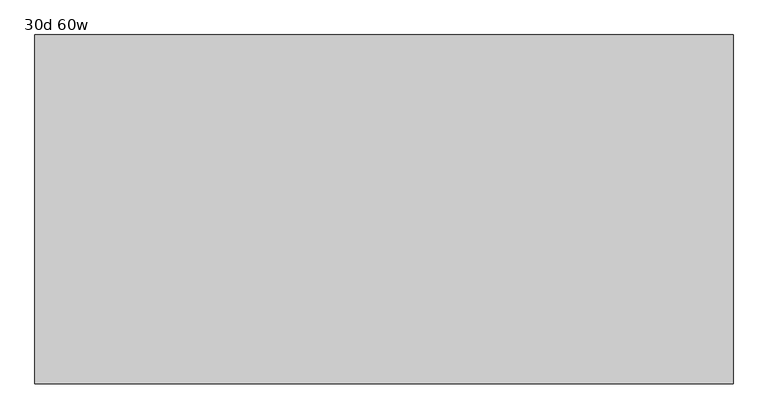
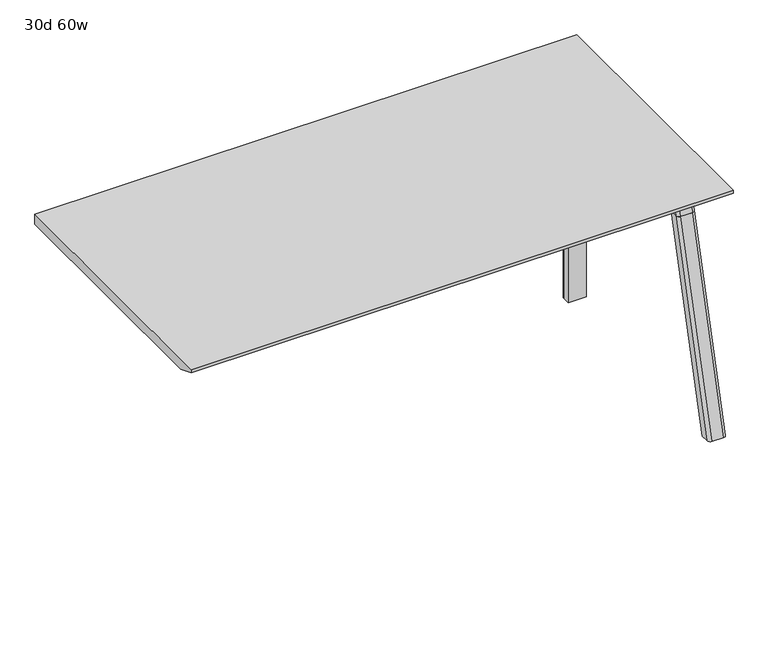
"""IFC4 building model written with IfcOpenShell, lengths in millimetres: furniture geometry, 30d 60w."""

from ifc_helpers import new_model, si_unit, point, frame, frame_2d, origin, place, context, project, spatial, polyline, circle_curve, ellipse_curve, trimmed, segment, composite_curve, outline, extrude, source, transform, mapped, element, save
from ifc_brep_helpers import plane_surface, cylinder_surface, revolved_surface, advanced_brep


def furniture_30d_60w_4fef8673(model_context):
    return source(origin(), model_context, "Body", "SolidModel", [
        extrude(outline(composite_curve([segment(polyline([(-258.4909766, 711.2), (-267.5490774, 677.3947076)]), True, "CONTINUOUS"), segment(trimmed(circle_curve(frame_2d((-282.8831499, 681.5034599)), 15.875), [point((-267.5490774, 677.3947076))], [point((-282.8831499, 665.6284599))], False, "CARTESIAN"), True, "CONTINUOUS"), segment(polyline([(-282.8831499, 665.6284599), (-705.5863033, 665.6284599)]), True, "CONTINUOUS"), segment(trimmed(circle_curve(frame_2d((-705.5863033, 681.5034599)), 15.875), [point((-705.5863033, 665.6284599))], [point((-720.9203758, 677.3947076))], False, "CARTESIAN"), True, "CONTINUOUS"), segment(polyline([(-720.9203758, 677.3947076), (-729.9784766, 711.2), (-258.4909766, 711.2)]), True, "CONTINUOUS")], self_intersect=False)), frame((927.1, 0.0, 0.0), z_axis=(1.0, 0.0, 0.0), x_axis=(0.0, 1.0, 0.0)), (0.0, 0.0, 1.0), 38.1),
        extrude(outline(polyline([(971.55, -318.8159766), (971.55, -669.6534766), (920.75, -669.6534766), (920.75, -318.8159766), (971.55, -318.8159766)])), frame((0.0, 0.0, 635.6476591), z_axis=(0.0, 0.0, 1.0), x_axis=(1.0, 0.0, 0.0)), (0.0, 0.0, 1.0), 29.9808008),
        advanced_brep(
        [(971.55, -258.4446478, 711.2), (971.55, -267.5027486, 677.3947076), (971.55, -282.8368211, 665.6284599), (971.55, -318.8159766, 665.6284599), (971.55, -318.8159766, 635.6476591), (971.55, -307.7034766, 635.6476591), (971.55, -256.9034766, 584.8476591), (971.55, -256.9034766, 576.659375), (971.55, -234.6784766, 576.659375), (971.55, -234.6784766, 711.2), (920.75, -256.9034766, 576.659375), (920.75, -256.9034766, 584.8476591), (920.75, -307.7034766, 635.6476591), (920.75, -318.8159766, 635.6476591), (920.75, -318.8159766, 665.6284599), (920.75, -282.8368211, 665.6284599), (920.75, -267.5027486, 677.3947076), (920.75, -258.4446478, 711.2), (920.75, -234.6784766, 711.2), (920.75, -234.6784766, 576.659375), (962.025, -225.1534766, 711.2), (930.275, -225.1534766, 711.2), (930.275, -225.1534766, 576.659375), (962.025, -225.1534766, 576.659375)],
        [
            (0, 1),
            (1, 2, circle_curve(frame((971.55, -282.8368211, 681.5034599), z_axis=(-1.0, 0.0, 0.0), x_axis=(0.0, 1.0, 0.0)), 15.875)),
            (2, 3),
            (3, 4),
            (4, 5),
            (5, 6, circle_curve(frame((971.55, -307.7034766, 584.8476591), z_axis=(-1.0, 0.0, 0.0), x_axis=(0.0, 1.0, 0.0)), 50.8)),
            (6, 7),
            (7, 8),
            (8, 9),
            (9, 0),
            (10, 11),
            (11, 12, circle_curve(frame((920.75, -307.7034766, 584.8476591), z_axis=(1.0, 0.0, 0.0), x_axis=(0.0, 1.0, 0.0)), 50.8)),
            (12, 13),
            (13, 14),
            (14, 15),
            (15, 16, circle_curve(frame((920.75, -282.8368211, 681.5034599), z_axis=(1.0, 0.0, 0.0), x_axis=(0.0, 1.0, 0.0)), 15.875)),
            (16, 17),
            (17, 18),
            (18, 19),
            (19, 10),
            (17, 0),
            (9, 20, circle_curve(frame((962.025, -234.6784766, 711.2), z_axis=(0.0, 0.0, 1.0), x_axis=(-1.0, 0.0, 0.0)), 9.525)),
            (20, 21),
            (21, 18, circle_curve(frame((930.275, -234.6784766, 711.2), z_axis=(0.0, 0.0, 1.0), x_axis=(-1.0, 0.0, 0.0)), 9.525)),
            (16, 1),
            (15, 2),
            (14, 3),
            (13, 4),
            (12, 5),
            (7, 10),
            (19, 22, circle_curve(frame((930.275, -234.6784766, 576.659375), z_axis=(0.0, 0.0, -1.0), x_axis=(-1.0, 0.0, 0.0)), 9.525)),
            (22, 23),
            (23, 8, circle_curve(frame((962.025, -234.6784766, 576.659375), z_axis=(0.0, 0.0, -1.0), x_axis=(-1.0, 0.0, 0.0)), 9.525)),
            (11, 6),
            (23, 20),
            (21, 22),
        ],
        [
            plane_surface(frame((971.55, -218.226947, 711.2), z_axis=(1.0, 0.0, 0.0), x_axis=(0.0, -1.0, 0.0))),
            plane_surface(frame((920.75, -218.226947, 711.2), z_axis=(-1.0, 0.0, 0.0), x_axis=(0.0, 1.0, 0.0))),
            plane_surface(frame((971.55, -218.226947, 711.2), z_axis=(0.0, 0.0, 1.0), x_axis=(-1.0, 0.0, 0.0))),
            plane_surface(frame((971.55, -258.4446478, 711.2), z_axis=(0.0, -0.9659258262890683, 0.2588190451025207), x_axis=(-1.0, 0.0, 0.0))),
            revolved_surface(polyline([(920.75, -266.9618211, 681.5034599), (971.55, -266.9618211, 681.5034599)]), (920.75, -282.8368211, 681.5034599), (-1.0, 0.0, 0.0)),
            plane_surface(frame((971.55, -282.8368211, 665.6284599), z_axis=(0.0, 0.0, 1.0), x_axis=(-1.0, 0.0, 0.0))),
            plane_surface(frame((971.55, -318.8159766, 665.6284599), z_axis=(0.0, -1.0, 0.0), x_axis=(-1.0, 0.0, 0.0))),
            plane_surface(frame((971.55, -318.8159766, 635.6476591), z_axis=(0.0, 0.0, -1.0), x_axis=(-1.0, 0.0, 0.0))),
            plane_surface(frame((971.55, -256.9034766, 576.659375), z_axis=(0.0, 0.0, -1.0), x_axis=(-1.0, 0.0, 0.0))),
            revolved_surface(polyline([(920.75, -256.9034766, 584.8476591), (971.55, -256.9034766, 584.8476591)]), (920.75, -307.7034766, 584.8476591), (-1.0, 0.0, 0.0)),
            plane_surface(frame((971.55, -256.9034766, 584.8476591), z_axis=(0.0, -1.0, 0.0), x_axis=(-1.0, 0.0, 0.0))),
            cylinder_surface(frame((962.025, -234.6784766, 524.9807374), z_axis=(0.0, 0.0, -1.0), x_axis=(-1.0, 0.0, 0.0)), 9.525),
            cylinder_surface(frame((930.275, -234.6784766, 524.9807374), z_axis=(0.0, 0.0, -1.0), x_axis=(-1.0, 0.0, 0.0)), 9.525),
            plane_surface(frame((930.275, -225.1534766, 711.2), z_axis=(0.0, 1.0, 0.0), x_axis=(0.0, 0.0, -1.0))),
        ],
        [
            (0, [[1, 2, 3, 4, 5, 6, 7, 8, 9, 10]]),
            (1, [[11, 12, 13, 14, 15, 16, 17, 18, 19, 20]]),
            (2, [[21, -10, 22, 23, 24, -18]]),
            (3, [[-1, -21, -17, 25]]),
            (4, [[-2, -25, -16, 26]]),
            (5, [[-3, -26, -15, 27]]),
            (6, [[-4, -27, -14, 28]]),
            (7, [[-5, -28, -13, 29]]),
            (8, [[30, -20, 31, 32, 33, -8]]),
            (9, [[-6, -29, -12, 34]]),
            (10, [[-7, -34, -11, -30]]),
            (11, [[35, -22, -9, -33]]),
            (12, [[36, -31, -19, -24]]),
            (13, [[-35, -32, -36, -23]]),
        ],
    ),
        advanced_brep(
        [(920.75, -256.9034766, 576.659375), (971.55, -256.9034766, 576.659375), (971.55, -234.6784766, 576.659375), (962.025, -225.1534766, 576.659375), (930.275, -225.1534766, 576.659375), (920.75, -234.6784766, 576.659375), (920.75, -256.9034766, 0.0), (920.75, -234.6784766, 0.0), (930.275, -225.1534766, 0.0), (962.025, -225.1534766, 0.0), (971.55, -234.6784766, 0.0), (971.55, -256.9034766, 0.0), (971.55, -234.6784766, 524.9807374), (962.025, -225.1534766, 524.9807374), (930.275, -225.1534766, 524.9807374), (920.75, -234.6784766, 524.9807374)],
        [
            (0, 1),
            (1, 2),
            (2, 3, circle_curve(frame((962.025, -234.6784766, 576.659375), z_axis=(0.0, 0.0, 1.0), x_axis=(-1.0, 0.0, 0.0)), 9.525)),
            (3, 4),
            (4, 5, circle_curve(frame((930.275, -234.6784766, 576.659375), z_axis=(0.0, 0.0, 1.0), x_axis=(-1.0, 0.0, 0.0)), 9.525)),
            (5, 0),
            (6, 7),
            (7, 8, circle_curve(frame((930.275, -234.6784766, 0.0), z_axis=(0.0, 0.0, -1.0), x_axis=(-1.0, 0.0, 0.0)), 9.525)),
            (8, 9),
            (9, 10, circle_curve(frame((962.025, -234.6784766, 0.0), z_axis=(0.0, 0.0, -1.0), x_axis=(-1.0, 0.0, 0.0)), 9.525)),
            (10, 11),
            (11, 6),
            (0, 6),
            (11, 1),
            (10, 12),
            (12, 2),
            (9, 13),
            (13, 3),
            (8, 14),
            (14, 4),
            (7, 15),
            (15, 5),
        ],
        [
            plane_surface(frame((978.7462903, -256.9034766, 576.659375), z_axis=(0.0, 0.0, 1.0), x_axis=(1.0, 0.0, 0.0))),
            plane_surface(frame((978.7462903, -256.9034766, 0.0), z_axis=(0.0, 0.0, -1.0), x_axis=(-1.0, 0.0, 0.0))),
            plane_surface(frame((920.75, -256.9034766, 576.659375), z_axis=(0.0, -1.0, 0.0), x_axis=(0.0, 0.0, -1.0))),
            plane_surface(frame((971.55, -256.9034766, 576.659375), z_axis=(1.0, 0.0, 0.0), x_axis=(0.0, 0.0, -1.0))),
            cylinder_surface(frame((962.025, -234.6784766, 0.0), z_axis=(0.0, 0.0, 1.0), x_axis=(-1.0, 0.0, 0.0)), 9.525),
            plane_surface(frame((962.025, -225.1534766, 576.659375), z_axis=(0.0, 1.0, 0.0), x_axis=(0.0, 0.0, -1.0))),
            cylinder_surface(frame((930.275, -234.6784766, 0.0), z_axis=(0.0, 0.0, 1.0), x_axis=(-1.0, 0.0, 0.0)), 9.525),
            plane_surface(frame((920.75, -234.6784766, 576.659375), z_axis=(-1.0, 0.0, 0.0), x_axis=(0.0, 0.0, -1.0))),
        ],
        [
            (0, [[1, 2, 3, 4, 5, 6]]),
            (1, [[7, 8, 9, 10, 11, 12]]),
            (2, [[-1, 13, -12, 14]]),
            (3, [[-2, -14, -11, 15, 16]]),
            (4, [[-3, -16, -15, -10, 17, 18]]),
            (5, [[-4, -18, -17, -9, 19, 20]]),
            (6, [[-5, -20, -19, -8, 21, 22]]),
            (7, [[-6, -22, -21, -7, -13]]),
        ],
    ),
        advanced_brep(
        [(920.75, -723.6748053, 711.2), (920.75, -714.6167045, 677.3947076), (920.75, -699.282632, 665.6284599), (920.75, -669.6534766, 665.6284599), (920.75, -669.6534766, 635.6476591), (920.75, -692.5247088, 635.6476591), (920.75, -756.9278133, 586.2294189), (920.75, -759.4860254, 576.6820411), (920.75, -780.5899953, 576.6820411), (920.75, -745.1413517, 711.2), (971.55, -759.4860254, 576.6820411), (971.55, -756.9278133, 586.2294189), (971.55, -692.5247088, 635.6476591), (971.55, -669.6534766, 635.6476591), (971.55, -669.6534766, 665.6284599), (971.55, -699.282632, 665.6284599), (971.55, -714.6167045, 677.3947076), (971.55, -723.6748053, 711.2), (971.55, -745.1413517, 711.2), (971.55, -780.5899953, 576.6820411), (927.0138162, -754.3961962, 711.2), (965.2861838, -754.3961962, 711.2), (962.025, -790.4401747, 576.6820411), (930.275, -790.4401747, 576.6820411)],
        [
            (0, 1),
            (1, 2, circle_curve(frame((920.75, -699.282632, 681.5034599), z_axis=(1.0, 0.0, 0.0), x_axis=(0.0, -1.0, 0.0)), 15.875)),
            (2, 3),
            (3, 4),
            (4, 5),
            (5, 6, circle_curve(frame((920.75, -692.5247088, 568.9726591), z_axis=(1.0, 0.0, 0.0), x_axis=(0.0, -1.0, 0.0)), 66.675)),
            (6, 7),
            (7, 8),
            (8, 9),
            (9, 0),
            (10, 11),
            (11, 12, circle_curve(frame((971.55, -692.5247088, 568.9726591), z_axis=(-1.0, 0.0, 0.0), x_axis=(0.0, -1.0, 0.0)), 66.675)),
            (12, 13),
            (13, 14),
            (14, 15),
            (15, 16, circle_curve(frame((971.55, -699.282632, 681.5034599), z_axis=(-1.0, 0.0, 0.0), x_axis=(0.0, -1.0, 0.0)), 15.875)),
            (16, 17),
            (17, 18),
            (18, 19),
            (19, 10),
            (17, 0),
            (9, 20, ellipse_curve(frame((930.275, -745.1413517, 711.2), z_axis=(0.0, 0.0, 1.0), x_axis=(0.0, -1.0, 0.0)), 9.8501793, 9.525)),
            (20, 21),
            (21, 18, ellipse_curve(frame((962.025, -745.1413517, 711.2), z_axis=(0.0, 0.0, 1.0), x_axis=(0.0, -1.0, 0.0)), 9.8501793, 9.525)),
            (16, 1),
            (15, 2),
            (14, 3),
            (13, 4),
            (12, 5),
            (11, 6),
            (10, 7),
            (19, 22, ellipse_curve(frame((962.025, -780.5899953, 576.6820411), z_axis=(0.0, 0.0, -1.0), x_axis=(0.0, -1.0, 0.0)), 9.8501793, 9.525)),
            (22, 23),
            (23, 8, ellipse_curve(frame((930.275, -780.5899953, 576.6820411), z_axis=(0.0, 0.0, -1.0), x_axis=(0.0, -1.0, 0.0)), 9.8501793, 9.525)),
            (20, 23, ellipse_curve(frame((930.275, -194.0704606, 2802.3641142), z_axis=(0.0, -0.9659258262890684, 0.2588190451025206), x_axis=(0.0, -0.2588190451025206, -0.9659258262890684)), 2304.1956354, 9.525)),
            (22, 21, ellipse_curve(frame((962.025, -194.0704606, 2802.3641142), z_axis=(0.0, -0.9659258262890684, 0.2588190451025206), x_axis=(0.0, -0.2588190451025206, -0.9659258262890684)), 2304.1956354, 9.525)),
        ],
        [
            plane_surface(frame((920.75, -754.3961962, 711.2), z_axis=(-1.0, 0.0, 0.0), x_axis=(0.0, 1.0, 0.0))),
            plane_surface(frame((971.55, -754.3961962, 711.2), z_axis=(1.0, 0.0, 0.0), x_axis=(0.0, -1.0, 0.0))),
            plane_surface(frame((920.75, -754.3961962, 711.2), z_axis=(0.0, 0.0, 1.0), x_axis=(1.0, 0.0, 0.0))),
            plane_surface(frame((920.75, -723.6748053, 711.2), z_axis=(0.0, 0.9659258262890683, 0.2588190451025207), x_axis=(1.0, 0.0, 0.0))),
            revolved_surface(polyline([(971.55, -715.157632, 681.5034599), (920.75, -715.157632, 681.5034599)]), (971.55, -699.282632, 681.5034599), (1.0, 0.0, 0.0)),
            plane_surface(frame((920.75, -699.282632, 665.6284599), z_axis=(0.0, 0.0, 1.0), x_axis=(1.0, 0.0, 0.0))),
            plane_surface(frame((920.75, -669.6534766, 665.6284599), z_axis=(0.0, 1.0, 0.0), x_axis=(1.0, 0.0, 0.0))),
            plane_surface(frame((920.75, -669.6534766, 635.6476591), z_axis=(0.0, 0.0, -1.0), x_axis=(1.0, 0.0, 0.0))),
            revolved_surface(polyline([(971.55, -759.1997087999999, 568.9726591), (920.75, -759.1997087999999, 568.9726591)]), (971.55, -692.5247088, 568.9726591), (1.0, 0.0, 0.0)),
            plane_surface(frame((920.75, -756.9278133, 586.2294189), z_axis=(0.0, 0.9659258262890693, -0.25881904510251696), x_axis=(1.0, 0.0, 0.0))),
            plane_surface(frame((920.75, -759.4860254, 576.6820411), z_axis=(0.0, 0.0, -1.0), x_axis=(1.0, 0.0, 0.0))),
            plane_surface(frame((920.75, -790.4401747, 576.6820411), z_axis=(0.0, -0.9659258262890684, 0.2588190451025206), x_axis=(1.0, 0.0, 0.0))),
            cylinder_surface(frame((930.275, -933.1988902, -2.4271979), z_axis=(0.0, -0.25482392474081483, -0.966987470125486), x_axis=(1.0, 0.0, 0.0)), 9.525),
            cylinder_surface(frame((962.025, -933.1988902, -2.4271979), z_axis=(0.0, -0.25482392474081483, -0.966987470125486), x_axis=(1.0, 0.0, 0.0)), 9.525),
        ],
        [
            (0, [[1, 2, 3, 4, 5, 6, 7, 8, 9, 10]]),
            (1, [[11, 12, 13, 14, 15, 16, 17, 18, 19, 20]]),
            (2, [[21, -10, 22, 23, 24, -18]]),
            (3, [[-1, -21, -17, 25]]),
            (4, [[-2, -25, -16, 26]]),
            (5, [[-3, -26, -15, 27]]),
            (6, [[-4, -27, -14, 28]]),
            (7, [[-5, -28, -13, 29]]),
            (8, [[-6, -29, -12, 30]]),
            (9, [[-7, -30, -11, 31]]),
            (10, [[-31, -20, 32, 33, 34, -8]]),
            (11, [[-23, 35, -33, 36]]),
            (12, [[-9, -34, -35, -22]]),
            (13, [[-19, -24, -36, -32]]),
        ],
    ),
        advanced_brep(
        [(920.75, -759.4860254, 576.6820411), (920.75, -911.4552966, 0.0), (920.75, -932.5592665, 0.0), (920.75, -780.5899953, 576.6820411), (971.55, -911.4552966, 0.0), (971.55, -759.4860254, 576.6820411), (971.55, -780.5899953, 576.6820411), (971.55, -932.5592665, 0.0), (930.275, -790.4401747, 576.6820411), (962.025, -790.4401747, 576.6820411), (962.025, -942.4094458, 0.0), (930.275, -942.4094458, 0.0)],
        [
            (0, 1),
            (1, 2),
            (2, 3),
            (3, 0),
            (4, 5),
            (5, 6),
            (6, 7),
            (7, 4),
            (5, 0),
            (3, 8, ellipse_curve(frame((930.275, -780.5899953, 576.6820411), z_axis=(0.0, 0.0, 1.0), x_axis=(0.0, -1.0, 0.0)), 9.8501793, 9.525)),
            (8, 9),
            (9, 6, ellipse_curve(frame((962.025, -780.5899953, 576.6820411), z_axis=(0.0, 0.0, 1.0), x_axis=(0.0, -1.0, 0.0)), 9.8501793, 9.525)),
            (4, 1),
            (7, 10, ellipse_curve(frame((962.025, -932.5592665, 0.0), z_axis=(0.0, 0.0, -1.0), x_axis=(0.0, -1.0, 0.0)), 9.8501793, 9.525)),
            (10, 11),
            (11, 2, ellipse_curve(frame((930.275, -932.5592665, 0.0), z_axis=(0.0, 0.0, -1.0), x_axis=(0.0, -1.0, 0.0)), 9.8501793, 9.525)),
            (8, 11),
            (10, 9),
        ],
        [
            plane_surface(frame((920.75, -790.4401747, 576.6820411), z_axis=(-1.0, 0.0, 0.0), x_axis=(0.0, 1.0, 0.0))),
            plane_surface(frame((971.55, -790.4401747, 576.6820411), z_axis=(1.0, 0.0, 0.0), x_axis=(0.0, -1.0, 0.0))),
            plane_surface(frame((920.75, -790.4401747, 576.6820411), z_axis=(0.0, 0.0, 1.0), x_axis=(1.0, 0.0, 0.0))),
            plane_surface(frame((920.75, -759.4860254, 576.6820411), z_axis=(0.0, 0.9669874701254844, -0.2548239247408208), x_axis=(1.0, 0.0, 0.0))),
            plane_surface(frame((920.75, -911.4552966, 0.0), z_axis=(0.0, 0.0, -1.0), x_axis=(1.0, 0.0, 0.0))),
            plane_surface(frame((920.75, -942.4094458, 0.0), z_axis=(0.0, -0.9669874701254855, 0.2548239247408166), x_axis=(1.0, 0.0, 0.0))),
            cylinder_surface(frame((930.275, -933.1988902, -2.4271979), z_axis=(0.0, -0.25482392474081483, -0.966987470125486), x_axis=(1.0, 0.0, 0.0)), 9.525),
            cylinder_surface(frame((962.025, -933.1988902, -2.4271979), z_axis=(0.0, -0.25482392474081483, -0.966987470125486), x_axis=(1.0, 0.0, 0.0)), 9.525),
        ],
        [
            (0, [[1, 2, 3, 4]]),
            (1, [[5, 6, 7, 8]]),
            (2, [[9, -4, 10, 11, 12, -6]]),
            (3, [[-1, -9, -5, 13]]),
            (4, [[-13, -8, 14, 15, 16, -2]]),
            (5, [[-11, 17, -15, 18]]),
            (6, [[-3, -16, -17, -10]]),
            (7, [[-7, -12, -18, -14]]),
        ],
    ),
        extrude(outline(polyline([(-961.7534766, 741.3625), (-199.7534766, 741.3625), (-199.7534766, 711.2), (-910.9534766, 711.2), (-961.7534766, 731.8375), (-961.7534766, 741.3625)])), frame((-546.1, 0.0, 0.0), z_axis=(1.0, 0.0, 0.0), x_axis=(0.0, 1.0, 0.0)), (0.0, 0.0, 1.0), 1524.0),
    ])


if __name__ == "__main__":
    model = new_model("IFC4")
    model_context = context("Model", 3, world=origin())
    ifc_project = project(units=[si_unit("LENGTHUNIT", "METRE", prefix="MILLI")], contexts=[model_context])
    site = spatial("IfcSite", under=ifc_project)
    building = spatial("IfcBuilding", under=site)
    placement = place(None, origin())
    furniture_30d_60w_shape = furniture_30d_60w_4fef8673(model_context)
    element("IfcFurniture", 1, ObjectType="30d 60w", at=placement, inside=building, context=model_context, shape_type="MappedRepresentation", body=[
        mapped(furniture_30d_60w_shape, transform((0.0, 0.0, 0.0), x_axis=(1.0, 0.0, 0.0), y_axis=(0.0, 1.0, 0.0), z_axis=(0.0, 0.0, 1.0))),
    ])
    save(model, "model.ifc")
